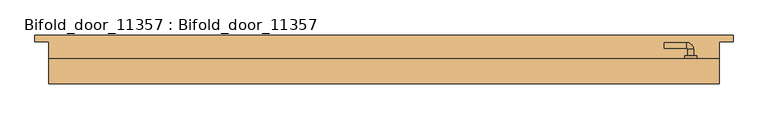
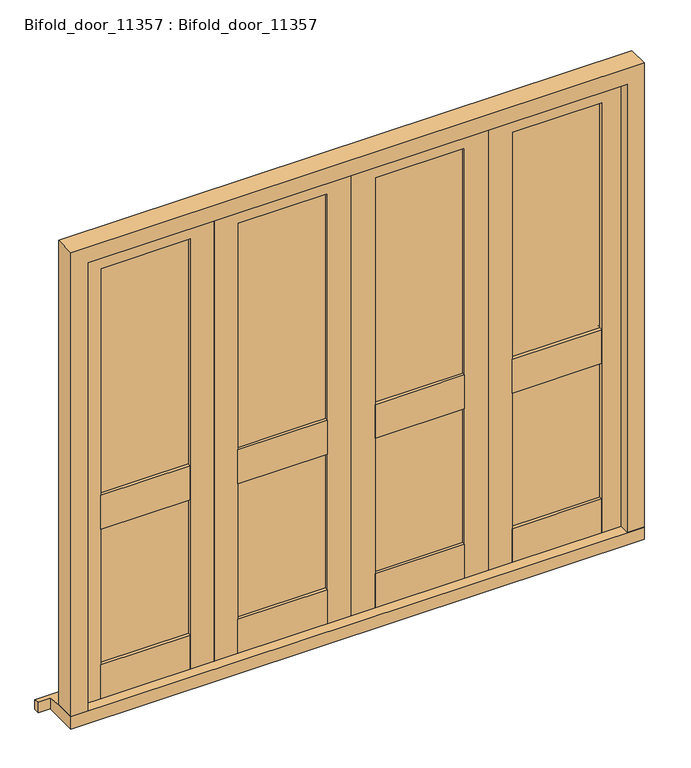
"""IFC4 building model written with IfcOpenShell, lengths in millimetres: door geometry, Bifold_door_11357 : Bifold_door_11357."""

from ifc_helpers import new_model, si_unit, point, frame, frame_2d, origin, place, context, project, spatial, polyline, circle_curve, ellipse_curve, trimmed, segment, composite_curve, outline, extrude, faceted_brep, source, transform, mapped, element, save
from ifc_brep_helpers import plane_surface, cylinder_surface, revolved_surface, advanced_brep


def bifold_door_11357_bifold_door_11357_52e65e42(model_context):
    return source(origin(), model_context, "Body", "SolidModel", [
        extrude(outline(polyline([(100.0, 90.0), (474.25, 90.0), (474.25, 76.0), (100.0, 76.0), (100.0, 90.0)])), frame((0.0, 0.0, 804.5), z_axis=(0.0, 0.0, 1.0), x_axis=(1.0, 0.0, 0.0)), (0.0, 0.0, 1.0), 150.0),
        extrude(outline(polyline([(474.25, 46.0), (100.0, 46.0), (100.0, 60.0), (474.25, 60.0), (474.25, 46.0)])), frame((0.0, 0.0, 804.5), z_axis=(0.0, 0.0, 1.0), x_axis=(1.0, 0.0, 0.0)), (0.0, 0.0, 1.0), 150.0),
        extrude(outline(polyline([(474.25, 60.0), (100.0, 60.0), (100.0, 76.0), (474.25, 76.0), (474.25, 60.0)])), frame((0.0, 0.0, 204.5), z_axis=(0.0, 0.0, 1.0), x_axis=(1.0, 0.0, 0.0)), (0.0, 0.0, 1.0), 1754.0),
        extrude(outline(polyline([(100.0, 46.0), (100.0, 90.0), (474.25, 90.0), (474.25, 46.0), (100.0, 46.0)])), frame((0.0, 0.0, 54.5), z_axis=(0.0, 0.0, 1.0), x_axis=(1.0, 0.0, 0.0)), (0.0, 0.0, 1.0), 150.0),
        extrude(outline(polyline([(54.5, 0.0), (54.5, 100.0), (1958.5, 100.0), (1958.5, 474.25), (54.5, 474.25), (54.5, 574.25), (2058.5, 574.25), (2058.5, 0.0), (54.5, 0.0)])), frame((0.0, 46.0, 0.0), z_axis=(0.0, 1.0, 0.0), x_axis=(0.0, 0.0, 1.0)), (0.0, 0.0, 1.0), 44.0),
        extrude(outline(polyline([(-474.25, 90.0), (-100.0, 90.0), (-100.0, 76.0), (-474.25, 76.0), (-474.25, 90.0)])), frame((0.0, 0.0, 804.5), z_axis=(0.0, 0.0, 1.0), x_axis=(1.0, 0.0, 0.0)), (0.0, 0.0, 1.0), 150.0),
        extrude(outline(polyline([(-100.0, 46.0), (-474.25, 46.0), (-474.25, 60.0), (-100.0, 60.0), (-100.0, 46.0)])), frame((0.0, 0.0, 804.5), z_axis=(0.0, 0.0, 1.0), x_axis=(1.0, 0.0, 0.0)), (0.0, 0.0, 1.0), 150.0),
        extrude(outline(polyline([(-100.0, 60.0), (-474.25, 60.0), (-474.25, 76.0), (-100.0, 76.0), (-100.0, 60.0)])), frame((0.0, 0.0, 204.5), z_axis=(0.0, 0.0, 1.0), x_axis=(1.0, 0.0, 0.0)), (0.0, 0.0, 1.0), 1754.0),
        extrude(outline(polyline([(-474.25, 46.0), (-474.25, 90.0), (-100.0, 90.0), (-100.0, 46.0), (-474.25, 46.0)])), frame((0.0, 0.0, 54.5), z_axis=(0.0, 0.0, 1.0), x_axis=(1.0, 0.0, 0.0)), (0.0, 0.0, 1.0), 150.0),
        extrude(outline(polyline([(54.5, -574.25), (54.5, -474.25), (1958.5, -474.25), (1958.5, -100.0), (54.5, -100.0), (54.5, 0.0), (2058.5, 0.0), (2058.5, -574.25), (54.5, -574.25)])), frame((0.0, 46.0, 0.0), z_axis=(0.0, 1.0, 0.0), x_axis=(0.0, 0.0, 1.0)), (0.0, 0.0, 1.0), 44.0),
        extrude(outline(polyline([(674.25, 90.0), (1048.5, 90.0), (1048.5, 76.0), (674.25, 76.0), (674.25, 90.0)])), frame((0.0, 0.0, 804.5), z_axis=(0.0, 0.0, 1.0), x_axis=(1.0, 0.0, 0.0)), (0.0, 0.0, 1.0), 150.0),
        extrude(outline(polyline([(1048.5, 46.0), (674.25, 46.0), (674.25, 60.0), (1048.5, 60.0), (1048.5, 46.0)])), frame((0.0, 0.0, 804.5), z_axis=(0.0, 0.0, 1.0), x_axis=(1.0, 0.0, 0.0)), (0.0, 0.0, 1.0), 150.0),
        extrude(outline(polyline([(1048.5, 60.0), (674.25, 60.0), (674.25, 76.0), (1048.5, 76.0), (1048.5, 60.0)])), frame((0.0, 0.0, 204.5), z_axis=(0.0, 0.0, 1.0), x_axis=(1.0, 0.0, 0.0)), (0.0, 0.0, 1.0), 1754.0),
        extrude(outline(polyline([(674.25, 46.0), (674.25, 90.0), (1048.5, 90.0), (1048.5, 46.0), (674.25, 46.0)])), frame((0.0, 0.0, 54.5), z_axis=(0.0, 0.0, 1.0), x_axis=(1.0, 0.0, 0.0)), (0.0, 0.0, 1.0), 150.0),
        extrude(outline(polyline([(54.5, 574.25), (54.5, 674.25), (1958.5, 674.25), (1958.5, 1048.5), (54.5, 1048.5), (54.5, 1148.5), (2058.5, 1148.5), (2058.5, 574.25), (54.5, 574.25)])), frame((0.0, 46.0, 0.0), z_axis=(0.0, 1.0, 0.0), x_axis=(0.0, 0.0, 1.0)), (0.0, 0.0, 1.0), 44.0),
        extrude(outline(polyline([(-1048.5, 90.0), (-674.25, 90.0), (-674.25, 76.0), (-1048.5, 76.0), (-1048.5, 90.0)])), frame((0.0, 0.0, 804.5), z_axis=(0.0, 0.0, 1.0), x_axis=(1.0, 0.0, 0.0)), (0.0, 0.0, 1.0), 150.0),
        extrude(outline(polyline([(-674.25, 46.0), (-1048.5, 46.0), (-1048.5, 60.0), (-674.25, 60.0), (-674.25, 46.0)])), frame((0.0, 0.0, 804.5), z_axis=(0.0, 0.0, 1.0), x_axis=(1.0, 0.0, 0.0)), (0.0, 0.0, 1.0), 150.0),
        extrude(outline(polyline([(-674.25, 60.0), (-1048.5, 60.0), (-1048.5, 76.0), (-674.25, 76.0), (-674.25, 60.0)])), frame((0.0, 0.0, 204.5), z_axis=(0.0, 0.0, 1.0), x_axis=(1.0, 0.0, 0.0)), (0.0, 0.0, 1.0), 1754.0),
        extrude(outline(polyline([(-1048.5, 46.0), (-1048.5, 90.0), (-674.25, 90.0), (-674.25, 46.0), (-1048.5, 46.0)])), frame((0.0, 0.0, 54.5), z_axis=(0.0, 0.0, 1.0), x_axis=(1.0, 0.0, 0.0)), (0.0, 0.0, 1.0), 150.0),
        extrude(outline(polyline([(54.5, -1148.5), (54.5, -1048.5), (1958.5, -1048.5), (1958.5, -674.25), (54.5, -674.25), (54.5, -574.25), (2058.5, -574.25), (2058.5, -1148.5), (54.5, -1148.5)])), frame((0.0, 46.0, 0.0), z_axis=(0.0, 1.0, 0.0), x_axis=(0.0, 0.0, 1.0)), (0.0, 0.0, 1.0), 44.0),
        advanced_brep(
        [(1108.5, 100.0, 913.5197851), (1088.5, 100.0, 913.5197851), (1108.5, 123.0, 913.5197851), (1088.5, 123.0, 913.5197851), (1083.5, 128.0, 913.5197851), (1083.5, 148.0, 913.5197851), (1003.3501694, 148.0, 913.5197851), (1003.3501694, 128.0, 913.5197851)],
        [
            (0, 1, circle_curve(frame((1098.5, 100.0, 913.5197851), z_axis=(0.0, -1.0, 0.0), x_axis=(-1.0, 0.0, 0.0)), 10.0)),
            (1, 0, circle_curve(frame((1098.5, 100.0, 913.5197851), z_axis=(0.0, -1.0, 0.0), x_axis=(-1.0, 0.0, 0.0)), 10.0)),
            (0, 2),
            (2, 3, circle_curve(frame((1098.5, 123.0, 913.5197851), z_axis=(0.0, -1.0, 0.0), x_axis=(-1.0, 0.0, 0.0)), 10.0)),
            (3, 1),
            (3, 2, circle_curve(frame((1098.5, 123.0, 913.5197851), z_axis=(0.0, -1.0, 0.0), x_axis=(-1.0, 0.0, 0.0)), 10.0)),
            (4, 3, circle_curve(frame((1083.5, 123.0, 913.5197851), z_axis=(0.0, 0.0, -1.0), x_axis=(1.0, 0.0, 0.0)), 5.0)),
            (2, 5, circle_curve(frame((1083.5, 123.0, 913.5197851), z_axis=(0.0, 0.0, 1.0), x_axis=(1.0, 0.0, 0.0)), 25.0)),
            (5, 4, circle_curve(frame((1083.5, 138.0, 913.5197851), z_axis=(1.0, 0.0, 0.0), x_axis=(0.0, -1.0, 0.0)), 10.0)),
            (4, 5, circle_curve(frame((1083.5, 138.0, 913.5197851), z_axis=(1.0, 0.0, 0.0), x_axis=(0.0, -1.0, 0.0)), 10.0)),
            (6, 7, circle_curve(frame((1003.3501694, 138.0, 913.5197851), z_axis=(-1.0, 0.0, 0.0), x_axis=(0.0, -1.0, 0.0)), 10.0)),
            (7, 6, circle_curve(frame((1003.3501694, 138.0, 913.5197851), z_axis=(-1.0, 0.0, 0.0), x_axis=(0.0, -1.0, 0.0)), 10.0)),
            (5, 6),
            (7, 4),
        ],
        [
            plane_surface(frame((1098.5, 100.0, 0.0), z_axis=(0.0, -1.0, 0.0), x_axis=(0.0, 0.0, 1.0))),
            cylinder_surface(frame((1098.5, 100.0, 913.5197851), z_axis=(0.0, -1.0, 0.0), x_axis=(-1.0, 0.0, 0.0)), 10.0),
            revolved_surface(trimmed(ellipse_curve(frame((1098.5, 123.0, 913.5197851), z_axis=(0.0, -1.0, 0.0), x_axis=(-1.0, 0.0, 0.0)), 10.0, 10.0), [point((1108.5, 123.0, 913.5197851))], [point((1088.5, 123.0, 913.5197851))], True, "CARTESIAN"), (1083.5, 123.0, 0.0), (0.0, 0.0, 1.0)),
            revolved_surface(trimmed(ellipse_curve(frame((1098.5, 123.0, 913.5197851), z_axis=(0.0, -1.0, 0.0), x_axis=(-1.0, 0.0, 0.0)), 10.0, 10.0), [point((1088.5, 123.0, 913.5197851))], [point((1108.5, 123.0, 913.5197851))], True, "CARTESIAN"), (1083.5, 123.0, 0.0), (0.0, 0.0, 1.0)),
            plane_surface(frame((1003.3501694, 138.0, 0.0), z_axis=(-1.0, 0.0, 0.0), x_axis=(0.0, 0.0, 1.0))),
            cylinder_surface(frame((1083.5, 138.0, 913.5197851), z_axis=(1.0, 0.0, 0.0), x_axis=(0.0, -1.0, 0.0)), 10.0),
        ],
        [
            (0, [[1, 2]]),
            (1, [[-1, 3, 4, 5]]),
            (1, [[-2, -5, 6, -3]]),
            (2, [[7, -4, 8, 9]]),
            (3, [[-8, -6, -7, 10]]),
            (4, [[11, 12]]),
            (5, [[-9, 13, -12, 14]]),
            (5, [[-10, -14, -11, -13]]),
        ],
    ),
        extrude(outline(composite_curve([segment(polyline([(809.5, 1119.5), (947.5395702, 1119.5)]), True, "CONTINUOUS"), segment(trimmed(circle_curve(frame_2d((932.9481035, 1098.5)), 25.5716817), [point((947.5395702, 1119.5))], [point((947.5395702, 1077.5))], False, "CARTESIAN"), True, "CONTINUOUS"), segment(polyline([(947.5395702, 1077.5), (809.5, 1077.5)]), True, "CONTINUOUS"), segment(trimmed(circle_curve(frame_2d((824.0914668, 1098.5)), 25.5716817), [point((809.5, 1077.5))], [point((809.5, 1119.5))], False, "CARTESIAN"), True, "CONTINUOUS")], self_intersect=False), holes=[composite_curve([segment(polyline([(834.5197851, 1095.5), (844.5197851, 1095.5)]), True, "CONTINUOUS"), segment(trimmed(circle_curve(frame_2d((848.5197851, 1098.5)), 5.0), [point((844.5197851, 1095.5))], [point((844.5197851, 1101.5))], True, "CARTESIAN"), True, "CONTINUOUS"), segment(polyline([(844.5197851, 1101.5), (834.5197851, 1101.5)]), True, "CONTINUOUS"), segment(trimmed(circle_curve(frame_2d((834.7134009, 1098.5)), 3.0062414), [point((834.5197851, 1101.5))], [point((834.5197851, 1095.5))], True, "CARTESIAN"), True, "CONTINUOUS")], self_intersect=False)]), frame((0.0, 90.0, 0.0), z_axis=(0.0, 1.0, 0.0), x_axis=(0.0, 0.0, 1.0)), (0.0, 0.0, 1.0), 10.0),
        faceted_brep([(1250.0, 175.0, 0.0), (1250.0, 175.0, 41.609375), (1250.0, 150.0, 45.4007353), (1250.0, 150.0, 0.0), (-1250.0, 175.0, 41.609375), (-1250.0, 175.0, 0.0), (-1250.0, 150.0, 0.0), (-1250.0, 150.0, 45.4007353), (-1200.0, 1.0, 54.5), (-1200.0, 1.0, 0.0), (1200.0, 1.0, 0.0), (1200.0, 1.0, 54.5), (1200.0, 150.0, 0.0), (-1200.0, 150.0, 0.0), (-1200.0, 150.0, 45.4007353), (-1200.0, 90.0, 54.5), (1200.0, 90.0, 54.5), (1200.0, 150.0, 45.4007353)], [[[0, 1, 2, 3]], [[4, 5, 6, 7]], [[8, 9, 10, 11]], [[5, 0, 3, 12, 10, 9, 13, 6]], [[1, 0, 5, 4]], [[1, 4, 7, 14, 15, 16, 17, 2]], [[15, 8, 11, 16]], [[13, 14, 7, 6]], [[14, 13, 9, 8, 15]], [[12, 17, 16, 11, 10]], [[17, 12, 3, 2]]]),
        faceted_brep([(1200.0, 1.0, 54.5), (1129.5, 1.0, 54.5), (1129.5, 43.0, 54.5), (1151.5, 43.0, 54.5), (1151.5, 90.0, 54.5), (1200.0, 90.0, 54.5), (1200.0, 1.0, 2110.0), (-1200.0, 1.0, 2110.0), (-1200.0, 1.0, 54.5), (-1129.5, 1.0, 54.5), (-1129.5, 1.0, 2039.5), (1129.5, 1.0, 2039.5), (1129.5, 43.0, 2039.5), (-1129.5, 43.0, 2039.5), (-1129.5, 43.0, 54.5), (-1151.5, 43.0, 54.5), (-1151.5, 43.0, 2061.5), (1151.5, 43.0, 2061.5), (1151.5, 90.0, 2061.5), (-1151.5, 90.0, 2061.5), (-1151.5, 90.0, 54.5), (-1200.0, 90.0, 54.5), (-1200.0, 90.0, 2110.0), (1200.0, 90.0, 2110.0)], [[[0, 1, 2, 3, 4, 5]], [[1, 0, 6, 7, 8, 9, 10, 11]], [[2, 1, 11, 12]], [[3, 2, 12, 13, 14, 15, 16, 17]], [[4, 3, 17, 18]], [[5, 4, 18, 19, 20, 21, 22, 23]], [[0, 5, 23, 6]], [[7, 22, 21, 8]], [[8, 21, 20, 15, 14, 9]], [[13, 10, 9, 14]], [[19, 16, 15, 20]], [[12, 11, 10, 13]], [[18, 17, 16, 19]], [[6, 23, 22, 7]]]),
    ])


if __name__ == "__main__":
    model = new_model("IFC4")
    model_context = context("Model", 3, world=origin())
    ifc_project = project(units=[si_unit("LENGTHUNIT", "METRE", prefix="MILLI")], contexts=[model_context])
    site = spatial("IfcSite", under=ifc_project)
    building = spatial("IfcBuilding", under=site)
    placement = place(None, origin())
    bifold_door_11357_bifold_door_11357_shape = bifold_door_11357_bifold_door_11357_52e65e42(model_context)
    element("IfcDoor", 1, ObjectType="Bifold_door_11357 : Bifold_door_11357", at=placement, inside=building, context=model_context, shape_type="MappedRepresentation", body=[
        mapped(bifold_door_11357_bifold_door_11357_shape, transform((0.0, 0.0, 0.0), x_axis=(1.0, 0.0, 0.0), y_axis=(0.0, 1.0, 0.0), z_axis=(0.0, 0.0, 1.0))),
    ])
    save(model, "model.ifc")
